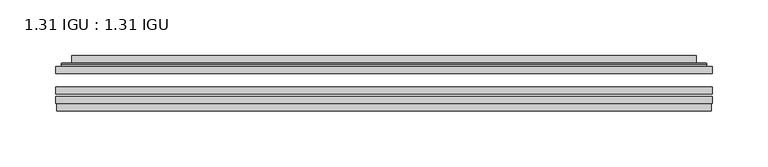
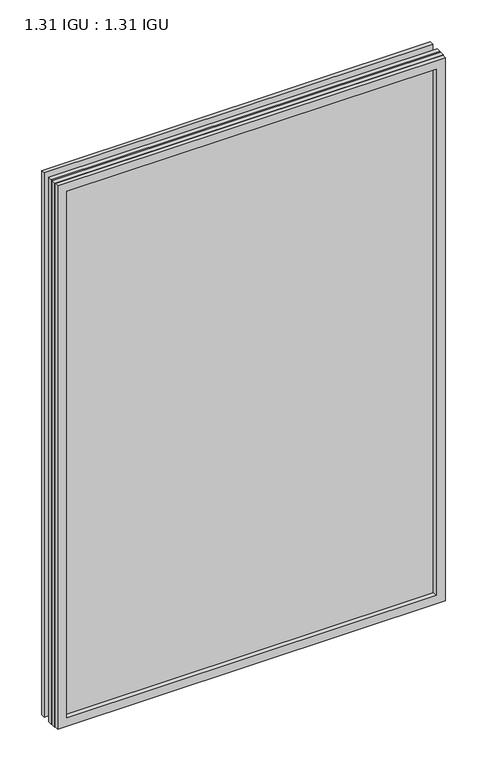
"""IFC4 building model written with IfcOpenShell, lengths in millimetres: plate geometry, 1.31 IGU : 1.31 IGU."""

from ifc_helpers import new_model, si_unit, frame, origin, place, context, project, spatial, polyline, ellipse_curve, outline, extrude, faceted_brep, source, transform, mapped, element, save
from ifc_brep_helpers import plane_surface, cylinder_surface, advanced_brep


def plate_1_31_igu_1_31_igu_70c8a241(model_context):
    return source(origin(), model_context, "Body", "SolidModel", [
        extrude(outline(polyline([(293.7048663, -63.59525), (293.7048663, -69.94525), (-293.6906913, -69.94525), (-293.6906913, -63.59525), (293.7048663, -63.59525)])), frame((0.0, 0.0, -14.2875), z_axis=(0.0, 0.0, 1.0), x_axis=(1.0, 0.0, 0.0)), (0.0, 0.0, 1.0), 869.9537979),
        extrude(outline(polyline([(-293.6906913, -78.58125), (-293.6906913, -72.230745), (293.7048663, -72.230745), (293.7048663, -78.58125), (-293.6906913, -78.58125)])), frame((0.0, 0.0, -14.2875), z_axis=(0.0, 0.0, 1.0), x_axis=(1.0, 0.0, 0.0)), (0.0, 0.0, 1.0), 869.9537979),
        extrude(outline(polyline([(293.7048663, -45.25645), (293.7048663, -51.60645), (-293.6906913, -51.60645), (-293.6906913, -45.25645), (293.7048663, -45.25645)])), frame((0.0, 0.0, -14.2875), z_axis=(0.0, 0.0, 1.0), x_axis=(1.0, 0.0, 0.0)), (0.0, 0.0, 1.0), 869.9537979),
        faceted_brep([(-292.9905056, -84.93125, 854.9623142), (-292.9905056, -78.58125, 854.9623142), (-292.9905056, -78.58125, -13.5873142), (-292.9905056, -84.93125, -13.5873142), (292.9905056, -78.58125, -13.5873142), (292.9905056, -84.93125, -13.5873142), (292.9905056, -78.58125, 854.9623142), (292.9905056, -84.93125, 854.9623142), (-278.5054472, -78.58125, 0.8977441), (278.5054472, -78.58125, 0.8977441), (278.5054472, -78.58125, 840.4772559), (-278.5054472, -78.58125, 840.4772559), (-279.3978815, -84.93125, 841.3696902), (279.3978815, -84.93125, 841.3696902), (279.3978815, -84.93125, 0.0053098), (-279.3978815, -84.93125, 0.0053098)], [[[0, 1, 2, 3]], [[3, 2, 4, 5]], [[5, 4, 6, 7]], [[1, 6, 4, 2], [8, 9, 10, 11]], [[7, 6, 1, 0]], [[3, 5, 7, 0], [12, 13, 14, 15]], [[11, 12, 15, 8]], [[8, 15, 14, 9]], [[9, 14, 13, 10]], [[10, 13, 12, 11]]]),
        advanced_brep(
        [(-286.4494104, -45.25645, 848.4212191), (-288.8036157, -43.2667833, 850.7754244), (-288.8036157, -43.2667833, -9.4004244), (-286.4494104, -45.25645, -7.046219), (-277.3750852, -41.416413, 839.3468939), (-272.4402534, -45.25645, 834.4120621), (-272.4402534, -45.25645, 6.9629379), (-277.3750852, -41.416413, 2.0281061), (-278.407113, -36.0191819, 840.3789217), (-278.407113, -36.0191819, 0.9960783), (-279.3977698, -35.6202069, 841.3695784), (-279.3977698, -35.6202069, 0.0054216), (-279.3977698, -42.08145, 841.3695784), (-279.3977698, -42.08145, 0.0054216), (-287.8018262, -42.08145, 849.7736349), (-287.8018262, -42.08145, -8.3986349), (288.8036157, -43.2667833, -9.4004244), (286.4494104, -45.25645, -7.046219), (272.4402534, -45.25645, 6.9629379), (277.3750852, -41.416413, 2.0281061), (278.407113, -36.0191819, 0.9960783), (279.3977698, -35.6202069, 0.0054216), (279.3977698, -42.08145, 0.0054216), (287.8018262, -42.08145, -8.3986349), (288.8036157, -43.2667833, 850.7754244), (286.4494104, -45.25645, 848.4212191), (272.4402534, -45.25645, 834.4120621), (277.3750852, -41.416413, 839.3468939), (278.407113, -36.0191819, 840.3789217), (279.3977698, -35.6202069, 841.3695784), (279.3977698, -42.08145, 841.3695784), (287.8018262, -42.08145, 849.7736349)],
        [
            (0, 1, ellipse_curve(frame((-286.4494104, -42.86885, 848.4212191), z_axis=(-0.7071067811865475, 0.0, -0.7071067811865475), x_axis=(-0.7071067811865474, 0.0, 0.7071067811865476)), 3.3765763, 2.3876)),
            (1, 2),
            (2, 3, ellipse_curve(frame((-286.4494104, -42.86885, -7.046219), z_axis=(-0.7071067811865475, 0.0, 0.7071067811865475), x_axis=(0.7071067811865474, 0.0, 0.7071067811865476)), 3.3765763, 2.3876)),
            (3, 0),
            (4, 5),
            (5, 6),
            (6, 7),
            (7, 4),
            (8, 4),
            (7, 9),
            (9, 8),
            (10, 8, ellipse_curve(frame((-279.0308132, -36.1384423, 841.0026219), z_axis=(-0.7071067811865475, 0.0, -0.7071067811865475), x_axis=(-0.7071067811865474, 0.0, 0.7071067811865476)), 0.8980256, 0.635)),
            (9, 11, ellipse_curve(frame((-279.0308132, -36.1384423, 0.3723781), z_axis=(-0.7071067811865475, 0.0, 0.7071067811865475), x_axis=(0.7071067811865474, 0.0, 0.7071067811865476)), 0.8980256, 0.635)),
            (11, 10),
            (12, 10),
            (11, 13),
            (13, 12),
            (1, 14, ellipse_curve(frame((-287.8018262, -43.09745, 849.7736349), z_axis=(-0.7071067811865475, 0.0, -0.7071067811865475), x_axis=(-0.7071067811865474, 0.0, 0.7071067811865476)), 1.436841, 1.016)),
            (14, 15),
            (15, 2, ellipse_curve(frame((-287.8018262, -43.09745, -8.3986349), z_axis=(-0.7071067811865475, 0.0, 0.7071067811865475), x_axis=(0.7071067811865474, 0.0, 0.7071067811865476)), 1.436841, 1.016)),
            (2, 16),
            (16, 17, ellipse_curve(frame((286.4494104, -42.86885, -7.046219), z_axis=(-0.7071067811865475, 0.0, -0.7071067811865475), x_axis=(-0.7071067811865476, 0.0, 0.7071067811865474)), 3.3765763, 2.3876)),
            (17, 3),
            (6, 18),
            (18, 19),
            (19, 7),
            (19, 20),
            (20, 9),
            (20, 21, ellipse_curve(frame((279.0308132, -36.1384423, 0.3723781), z_axis=(-0.7071067811865475, 0.0, -0.7071067811865475), x_axis=(-0.7071067811865476, 0.0, 0.7071067811865474)), 0.8980256, 0.635)),
            (21, 11),
            (21, 22),
            (22, 13),
            (15, 23),
            (23, 16, ellipse_curve(frame((287.8018262, -43.09745, -8.3986349), z_axis=(-0.7071067811865475, 0.0, -0.7071067811865475), x_axis=(-0.7071067811865476, 0.0, 0.7071067811865474)), 1.436841, 1.016)),
            (16, 24),
            (24, 25, ellipse_curve(frame((286.4494104, -42.86885, 848.4212191), z_axis=(0.7071067811865475, 0.0, -0.7071067811865475), x_axis=(-0.7071067811865474, 0.0, -0.7071067811865476)), 3.3765763, 2.3876)),
            (25, 17),
            (18, 26),
            (26, 27),
            (27, 19),
            (27, 28),
            (28, 20),
            (28, 29, ellipse_curve(frame((279.0308132, -36.1384423, 841.0026219), z_axis=(0.7071067811865475, 0.0, -0.7071067811865475), x_axis=(-0.7071067811865474, 0.0, -0.7071067811865476)), 0.8980256, 0.635)),
            (29, 21),
            (29, 30),
            (30, 22),
            (23, 31),
            (31, 24, ellipse_curve(frame((287.8018262, -43.09745, 849.7736349), z_axis=(0.7071067811865475, 0.0, -0.7071067811865475), x_axis=(-0.7071067811865474, 0.0, -0.7071067811865476)), 1.436841, 1.016)),
            (24, 1),
            (0, 25),
            (5, 26),
            (4, 27),
            (8, 28),
            (10, 29),
            (12, 30),
            (14, 31),
        ],
        [
            cylinder_surface(frame((-286.4494104, -42.86885, 873.125), z_axis=(0.0, 0.0, 1.0), x_axis=(-1.0, 0.0, 0.0)), 2.3876),
            plane_surface(frame((-272.4402534, -45.25645, 834.4120621), z_axis=(0.6141233906514794, 0.7892100234124821, 0.0), x_axis=(0.0, 0.0, -1.0))),
            plane_surface(frame((-277.3750852, -41.416413, 839.3468939), z_axis=(0.9822050625507729, 0.18781164793386076, 0.0), x_axis=(0.0, 0.0, -1.0))),
            cylinder_surface(frame((-279.0308132, -36.1384423, 873.125), z_axis=(0.0, 0.0, 1.0), x_axis=(-1.0, 0.0, 0.0)), 0.635),
            plane_surface(frame((-279.3977698, -35.6202069, 841.3695784), z_axis=(-1.0, 0.0, 0.0), x_axis=(0.0, 0.0, -1.0))),
            cylinder_surface(frame((-287.8018262, -43.09745, 873.125), z_axis=(0.0, 0.0, 1.0), x_axis=(-1.0, 0.0, 0.0)), 1.016),
            cylinder_surface(frame((-311.1531913, -42.86885, -7.046219), z_axis=(-1.0, 0.0, 0.0), x_axis=(0.0, 0.0, -1.0)), 2.3876),
            plane_surface(frame((-272.4402534, -45.25645, 6.9629379), z_axis=(0.0, 0.7892100234124841, 0.6141233906514768), x_axis=(1.0, 0.0, 0.0))),
            plane_surface(frame((-277.3750852, -41.416413, 2.0281061), z_axis=(0.0, 0.18781164793386393, 0.9822050625507723), x_axis=(1.0, 0.0, 0.0))),
            cylinder_surface(frame((-311.1531913, -36.1384423, 0.3723781), z_axis=(-1.0, 0.0, 0.0), x_axis=(0.0, 0.0, -1.0)), 0.635),
            plane_surface(frame((-279.3977698, -35.6202069, 0.0054216), z_axis=(0.0, 0.0, -1.0), x_axis=(1.0, 0.0, 0.0))),
            cylinder_surface(frame((-311.1531913, -43.09745, -8.3986349), z_axis=(-1.0, 0.0, 0.0), x_axis=(0.0, 0.0, -1.0)), 1.016),
            cylinder_surface(frame((286.4494104, -42.86885, -31.75), z_axis=(0.0, 0.0, -1.0), x_axis=(1.0, 0.0, 0.0)), 2.3876),
            plane_surface(frame((272.4402534, -45.25645, 6.9629379), z_axis=(-0.6141233906514743, 0.7892100234124861, 0.0), x_axis=(0.0, 0.0, 1.0))),
            plane_surface(frame((277.3750852, -41.416413, 2.0281061), z_axis=(-0.9822050625507718, 0.1878116479338671, 0.0), x_axis=(0.0, 0.0, 1.0))),
            cylinder_surface(frame((279.0308132, -36.1384423, -31.75), z_axis=(0.0, 0.0, -1.0), x_axis=(1.0, 0.0, 0.0)), 0.635),
            plane_surface(frame((279.3977698, -35.6202069, 0.0054216), z_axis=(1.0, 0.0, 0.0), x_axis=(0.0, 0.0, 1.0))),
            cylinder_surface(frame((287.8018262, -43.09745, -31.75), z_axis=(0.0, 0.0, -1.0), x_axis=(1.0, 0.0, 0.0)), 1.016),
            cylinder_surface(frame((311.1531913, -42.86885, 848.4212191), z_axis=(1.0, 0.0, 0.0), x_axis=(0.0, 0.0, 1.0)), 2.3876),
            plane_surface(frame((286.4494104, -45.25645, 848.4212191), z_axis=(0.0, -1.0, 0.0), x_axis=(-1.0, 0.0, 0.0))),
            plane_surface(frame((272.4402534, -45.25645, 834.4120621), z_axis=(0.0, 0.7892100234124841, -0.6141233906514768), x_axis=(-1.0, 0.0, 0.0))),
            plane_surface(frame((277.3750852, -41.416413, 839.3468939), z_axis=(0.0, 0.18781164793386393, -0.9822050625507723), x_axis=(-1.0, 0.0, 0.0))),
            cylinder_surface(frame((311.1531913, -36.1384423, 841.0026219), z_axis=(1.0, 0.0, 0.0), x_axis=(0.0, 0.0, 1.0)), 0.635),
            plane_surface(frame((279.3977698, -35.6202069, 841.3695784), z_axis=(0.0, 0.0, 1.0), x_axis=(-1.0, 0.0, 0.0))),
            plane_surface(frame((279.3977698, -42.08145, 841.3695784), z_axis=(0.0, 1.0, 0.0), x_axis=(-1.0, 0.0, 0.0))),
            cylinder_surface(frame((311.1531913, -43.09745, 849.7736349), z_axis=(1.0, 0.0, 0.0), x_axis=(0.0, 0.0, 1.0)), 1.016),
        ],
        [
            (0, [[1, 2, 3, 4]]),
            (1, [[5, 6, 7, 8]]),
            (2, [[9, -8, 10, 11]]),
            (3, [[12, -11, 13, 14]]),
            (4, [[15, -14, 16, 17]]),
            (5, [[18, 19, 20, -2]]),
            (6, [[-3, 21, 22, 23]]),
            (7, [[-7, 24, 25, 26]]),
            (8, [[-10, -26, 27, 28]]),
            (9, [[-13, -28, 29, 30]]),
            (10, [[-16, -30, 31, 32]]),
            (11, [[-20, 33, 34, -21]]),
            (12, [[-22, 35, 36, 37]]),
            (13, [[-25, 38, 39, 40]]),
            (14, [[-27, -40, 41, 42]]),
            (15, [[-29, -42, 43, 44]]),
            (16, [[-31, -44, 45, 46]]),
            (17, [[-34, 47, 48, -35]]),
            (18, [[-36, 49, -1, 50]]),
            (19, [[-23, -37, -50, -4], [51, -38, -24, -6]]),
            (20, [[-39, -51, -5, 52]]),
            (21, [[-41, -52, -9, 53]]),
            (22, [[-43, -53, -12, 54]]),
            (23, [[-45, -54, -15, 55]]),
            (24, [[56, -47, -33, -19], [-32, -46, -55, -17]]),
            (25, [[-48, -56, -18, -49]]),
        ],
    ),
    ])


if __name__ == "__main__":
    model = new_model("IFC4")
    model_context = context("Model", 3, world=origin())
    ifc_project = project(units=[si_unit("LENGTHUNIT", "METRE", prefix="MILLI")], contexts=[model_context])
    site = spatial("IfcSite", under=ifc_project)
    building = spatial("IfcBuilding", under=site)
    placement = place(None, origin())
    plate_1_31_igu_1_31_igu_shape = plate_1_31_igu_1_31_igu_70c8a241(model_context)
    element("IfcPlate", 1, ObjectType="1.31 IGU : 1.31 IGU", at=placement, inside=building, context=model_context, shape_type="MappedRepresentation", body=[
        mapped(plate_1_31_igu_1_31_igu_shape, transform((0.0, 0.0, 0.0), x_axis=(1.0, 0.0, 0.0), y_axis=(0.0, 1.0, 0.0), z_axis=(0.0, 0.0, 1.0))),
    ])
    save(model, "model.ifc")
